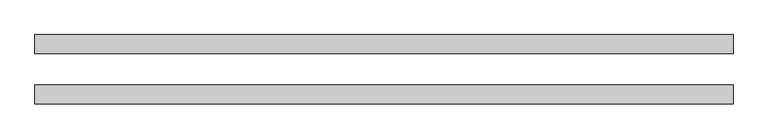
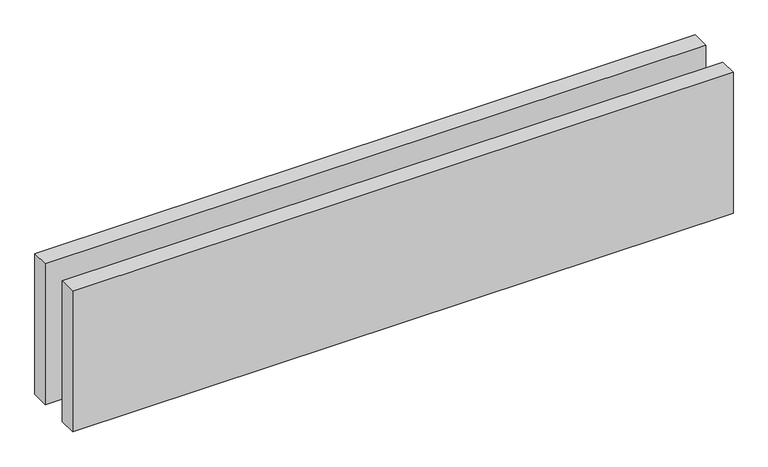
"""IFC4 building model written with IfcOpenShell, lengths in millimetres: proxy geometry."""

from ifc_helpers import new_model, si_unit, origin, origin_with_axes, place, context, project, spatial, polyline, outline, extrude, source, transform, mapped, element, save


def generic_models_4d6fb728(model_context):
    return source(origin(), model_context, "Body", "SweptSolid", [
        extrude(outline(polyline([(1110.0, 25.0), (0.0, 25.0), (0.0, 55.0), (1110.0, 55.0), (1110.0, 25.0)])), origin_with_axes(), (0.0, 0.0, 1.0), 250.0),
        extrude(outline(polyline([(1110.0, -55.0), (0.0, -55.0), (0.0, -25.0), (1110.0, -25.0), (1110.0, -55.0)])), origin_with_axes(), (0.0, 0.0, 1.0), 250.0),
    ])


if __name__ == "__main__":
    model = new_model("IFC4")
    model_context = context("Model", 3, world=origin())
    ifc_project = project(units=[si_unit("LENGTHUNIT", "METRE", prefix="MILLI")], contexts=[model_context])
    site = spatial("IfcSite", under=ifc_project)
    building = spatial("IfcBuilding", under=site)
    placement = place(None, origin())
    generic_models_shape = generic_models_4d6fb728(model_context)
    element("IfcBuildingElementProxy", 1, Name="Generic Models", at=placement, inside=building, context=model_context, shape_type="MappedRepresentation", body=[
        mapped(generic_models_shape, transform((0.0, 0.0, 0.0), x_axis=(1.0, 0.0, 0.0), y_axis=(0.0, 1.0, 0.0), z_axis=(0.0, 0.0, 1.0))),
    ])
    save(model, "model.ifc")
